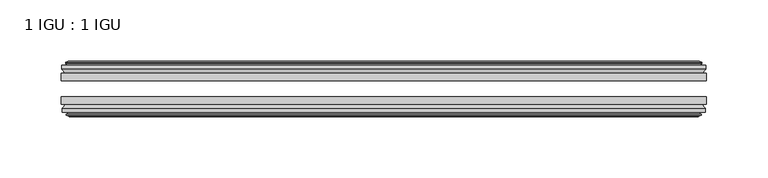
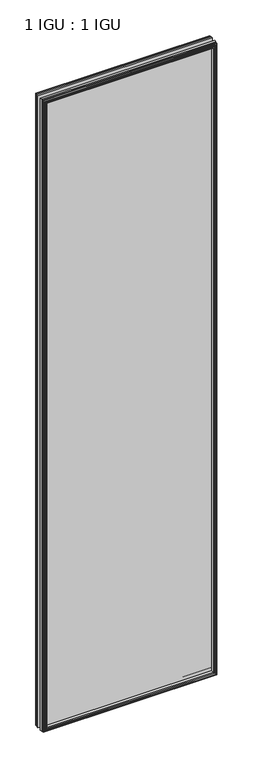
"""IFC4 building model written with IfcOpenShell, lengths in millimetres: plate geometry, 1 IGU : 1 IGU."""

from ifc_helpers import new_model, si_unit, frame, origin, place, context, project, spatial, polyline, outline, extrude, faceted_brep, source, transform, mapped, element, save


def plate_1_igu_1_igu_52d6c033(model_context):
    return source(origin(), model_context, "Body", "SolidModel", [
        extrude(outline(polyline([(263.525, -25.8960937), (263.525, -32.2460938), (-263.525, -32.2460938), (-263.525, -25.8960937), (263.525, -25.8960937)])), frame((0.0, 0.0, -12.7), z_axis=(0.0, 0.0, 1.0), x_axis=(1.0, 0.0, 0.0)), (0.0, 0.0, 1.0), 2019.3),
        extrude(outline(polyline([(-263.525, -51.2960938), (-263.525, -45.2686737), (263.525, -45.2686737), (263.525, -51.2960938), (-263.525, -51.2960938)])), frame((0.0, 0.0, -12.7), z_axis=(0.0, 0.0, 1.0), x_axis=(1.0, 0.0, 0.0)), (0.0, 0.0, 1.0), 2019.3),
        faceted_brep([(-257.937, -60.0262907, 2001.012), (-258.318, -57.6460937, 2001.393), (-258.318, -57.6460937, -7.493), (-257.937, -60.0262907, -7.112), (-259.3525291, -59.5663575, 2002.4275291), (-259.3525291, -59.5663575, -8.5275291), (-259.3525291, -60.3675717, 2002.4275291), (-259.3525291, -60.3675717, -8.5275291), (-257.175, -61.0750937, 2000.25), (-257.175, -61.0750937, -6.35), (-254.9974709, -60.3675717, 1998.0724709), (-254.9974709, -60.3675717, -4.1724709), (-254.9974709, -59.5663575, 1998.0724709), (-254.9974709, -59.5663575, -4.1724709), (-256.413, -60.0262907, 1999.488), (-256.413, -60.0262907, -5.588), (-256.032, -57.6460937, 1999.107), (-256.032, -57.6460937, -5.207), (-249.1072819, -51.2960937, 1992.1822819), (-250.825, -57.6460937, 1993.9), (-250.825, -57.6460937, 0.0), (-249.1072819, -51.2960937, 1.7177181), (-262.763, -54.6996937, 2005.838), (-259.9286578, -51.2960937, 2003.0036578), (-259.9286578, -51.2960937, -9.1036578), (-262.763, -54.6996937, -11.938), (-262.763, -57.6460937, 2005.838), (-262.763, -57.6460937, -11.938), (258.318, -57.6460938, -7.493), (257.937, -60.0262907, -7.112), (259.3525291, -59.5663575, -8.5275291), (259.3525291, -60.3675717, -8.5275291), (257.175, -61.0750937, -6.35), (254.9974709, -60.3675717, -4.1724709), (254.9974709, -59.5663575, -4.1724709), (256.413, -60.0262907, -5.588), (256.032, -57.6460937, -5.207), (250.825, -57.6460937, 0.0), (249.1072819, -51.2960937, 1.7177181), (259.9286578, -51.2960937, -9.1036578), (262.763, -54.6996937, -11.938), (262.763, -57.6460938, -11.938), (258.318, -57.6460938, 2001.393), (257.937, -60.0262907, 2001.012), (259.3525291, -59.5663575, 2002.4275291), (259.3525291, -60.3675717, 2002.4275291), (257.175, -61.0750937, 2000.25), (254.9974709, -60.3675717, 1998.0724709), (254.9974709, -59.5663575, 1998.0724709), (256.413, -60.0262907, 1999.488), (256.032, -57.6460937, 1999.107), (250.825, -57.6460937, 1993.9), (249.1072819, -51.2960937, 1992.1822819), (259.9286578, -51.2960937, 2003.0036578), (262.763, -54.6996937, 2005.838), (262.763, -57.6460938, 2005.838)], [[[0, 1, 2, 3]], [[4, 0, 3, 5]], [[6, 4, 5, 7]], [[8, 6, 7, 9]], [[10, 8, 9, 11]], [[12, 10, 11, 13]], [[14, 12, 13, 15]], [[16, 14, 15, 17]], [[18, 19, 20, 21]], [[22, 23, 24, 25]], [[26, 22, 25, 27]], [[3, 2, 28, 29]], [[5, 3, 29, 30]], [[7, 5, 30, 31]], [[9, 7, 31, 32]], [[11, 9, 32, 33]], [[13, 11, 33, 34]], [[15, 13, 34, 35]], [[17, 15, 35, 36]], [[21, 20, 37, 38]], [[25, 24, 39, 40]], [[27, 25, 40, 41]], [[29, 28, 42, 43]], [[30, 29, 43, 44]], [[31, 30, 44, 45]], [[32, 31, 45, 46]], [[33, 32, 46, 47]], [[34, 33, 47, 48]], [[35, 34, 48, 49]], [[36, 35, 49, 50]], [[38, 37, 51, 52]], [[40, 39, 53, 54]], [[41, 40, 54, 55]], [[27, 41, 55, 26], [1, 42, 28, 2]], [[43, 42, 1, 0]], [[44, 43, 0, 4]], [[45, 44, 4, 6]], [[46, 45, 6, 8]], [[47, 46, 8, 10]], [[48, 47, 10, 12]], [[49, 48, 12, 14]], [[50, 49, 14, 16]], [[17, 36, 50, 16], [19, 51, 37, 20]], [[52, 51, 19, 18]], [[23, 53, 39, 24], [21, 38, 52, 18]], [[54, 53, 23, 22]], [[55, 54, 22, 26]]]),
        faceted_brep([(-260.4493578, -25.8960937, 2003.5243578), (-263.2837, -22.4924937, 2006.3587), (-263.2837, -22.4924937, -12.4587), (-260.4493578, -25.8960937, -9.6243578), (-251.3457, -19.5460937, 1994.4207), (-249.6279819, -25.8960937, 1992.7029819), (-249.6279819, -25.8960937, 1.1970181), (-251.3457, -19.5460937, -0.5207), (-256.9337, -17.1658968, 2000.0087), (-256.5527, -19.5460937, 1999.6277), (-256.5527, -19.5460937, -5.7277), (-256.9337, -17.1658968, -6.1087), (-255.5181709, -17.62583, 1998.5931709), (-255.5181709, -17.62583, -4.6931709), (-255.5181709, -16.8246158, 1998.5931709), (-255.5181709, -16.8246158, -4.6931709), (-257.6957, -16.1170937, 2000.7707), (-257.6957, -16.1170937, -6.8707), (-259.8732291, -16.8246158, 2002.9482291), (-259.8732291, -16.8246158, -9.0482291), (-259.8732291, -17.62583, 2002.9482291), (-259.8732291, -17.62583, -9.0482291), (-258.4577, -17.1658968, 2001.5327), (-258.4577, -17.1658968, -7.6327), (-258.8387, -19.5460937, 2001.9137), (-258.8387, -19.5460937, -8.0137), (-263.2837, -19.5460937, 2006.3587), (-263.2837, -19.5460937, -12.4587), (263.2837, -22.4924937, -12.4587), (260.4493578, -25.8960937, -9.6243578), (249.6279819, -25.8960937, 1.1970181), (251.3457, -19.5460937, -0.5207), (256.5527, -19.5460937, -5.7277), (256.9337, -17.1658968, -6.1087), (255.5181709, -17.62583, -4.6931709), (255.5181709, -16.8246158, -4.6931709), (257.6957, -16.1170937, -6.8707), (259.8732291, -16.8246158, -9.0482291), (259.8732291, -17.62583, -9.0482291), (258.4577, -17.1658968, -7.6327), (258.8387, -19.5460937, -8.0137), (263.2837, -19.5460937, -12.4587), (263.2837, -22.4924937, 2006.3587), (260.4493578, -25.8960937, 2003.5243578), (249.6279819, -25.8960937, 1992.7029819), (251.3457, -19.5460937, 1994.4207), (256.5527, -19.5460937, 1999.6277), (256.9337, -17.1658968, 2000.0087), (255.5181709, -17.62583, 1998.5931709), (255.5181709, -16.8246158, 1998.5931709), (257.6957, -16.1170937, 2000.7707), (259.8732291, -16.8246158, 2002.9482291), (259.8732291, -17.62583, 2002.9482291), (258.4577, -17.1658968, 2001.5327), (258.8387, -19.5460937, 2001.9137), (263.2837, -19.5460937, 2006.3587)], [[[0, 1, 2, 3]], [[4, 5, 6, 7]], [[8, 9, 10, 11]], [[12, 8, 11, 13]], [[14, 12, 13, 15]], [[16, 14, 15, 17]], [[18, 16, 17, 19]], [[20, 18, 19, 21]], [[22, 20, 21, 23]], [[24, 22, 23, 25]], [[1, 26, 27, 2]], [[3, 2, 28, 29]], [[7, 6, 30, 31]], [[11, 10, 32, 33]], [[13, 11, 33, 34]], [[15, 13, 34, 35]], [[17, 15, 35, 36]], [[19, 17, 36, 37]], [[21, 19, 37, 38]], [[23, 21, 38, 39]], [[25, 23, 39, 40]], [[2, 27, 41, 28]], [[29, 28, 42, 43]], [[31, 30, 44, 45]], [[33, 32, 46, 47]], [[34, 33, 47, 48]], [[35, 34, 48, 49]], [[36, 35, 49, 50]], [[37, 36, 50, 51]], [[38, 37, 51, 52]], [[39, 38, 52, 53]], [[40, 39, 53, 54]], [[28, 41, 55, 42]], [[43, 42, 1, 0]], [[3, 29, 43, 0], [5, 44, 30, 6]], [[45, 44, 5, 4]], [[9, 46, 32, 10], [7, 31, 45, 4]], [[47, 46, 9, 8]], [[48, 47, 8, 12]], [[49, 48, 12, 14]], [[50, 49, 14, 16]], [[51, 50, 16, 18]], [[52, 51, 18, 20]], [[53, 52, 20, 22]], [[54, 53, 22, 24]], [[26, 55, 41, 27], [25, 40, 54, 24]], [[42, 55, 26, 1]]]),
    ])


if __name__ == "__main__":
    model = new_model("IFC4")
    model_context = context("Model", 3, world=origin())
    ifc_project = project(units=[si_unit("LENGTHUNIT", "METRE", prefix="MILLI")], contexts=[model_context])
    site = spatial("IfcSite", under=ifc_project)
    building = spatial("IfcBuilding", under=site)
    placement = place(None, origin())
    plate_1_igu_1_igu_shape = plate_1_igu_1_igu_52d6c033(model_context)
    element("IfcPlate", 1, ObjectType="1 IGU : 1 IGU", at=placement, inside=building, context=model_context, shape_type="MappedRepresentation", body=[
        mapped(plate_1_igu_1_igu_shape, transform((0.0, 0.0, 0.0), x_axis=(1.0, 0.0, 0.0), y_axis=(0.0, 1.0, 0.0), z_axis=(0.0, 0.0, 1.0))),
    ])
    save(model, "model.ifc")
